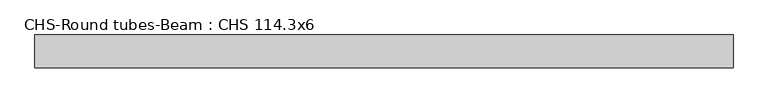
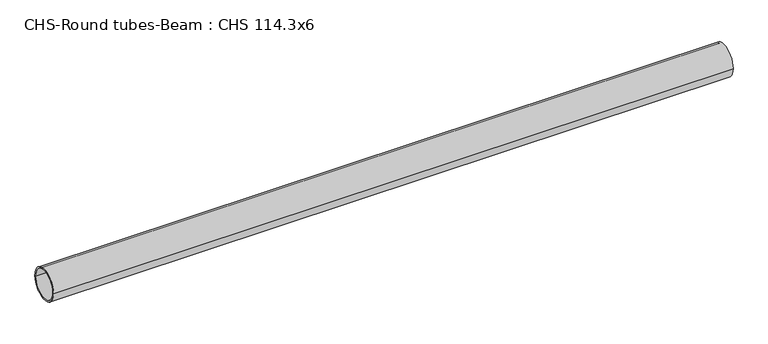
"""IFC4 building model written with IfcOpenShell, lengths in millimetres: beam geometry, CHS-Round tubes-Beam : CHS 114.3x6."""

import ifcopenshell
import ifcopenshell.guid

model = None  # the IFC model being written
_history = None  # IfcOwnerHistory: only IFC2X3 demands one
_inside = {}  # id of a spatial element -> (the spatial element, [elements in it])
_under = {}  # id of a project, library or spatial element -> (it, [spatial elements below it])
_declared = {}  # id of a project -> (the project, [libraries it declares])
_typed = {}  # id of a type object -> (the type object, [elements of that type])
_made_of = {}  # id of a material, layer set ... -> (it, [elements and type objects made of it])


def new_model(schema):
    """Start an empty IFC model of exactly this schema.

    Asked for "IFC4X3", IfcOpenShell would pick the latest addendum, in which some entities
    have other attributes; the version numbers below select the first issue.
    IFC2X3 requires an IfcOwnerHistory on every rooted entity: one is made here for all.
    """
    global model, _history
    if schema == "IFC4X3":
        model = ifcopenshell.file(schema_version=(4, 3, 0, 0))
    else:
        model = ifcopenshell.file(schema=schema)
    _inside.clear()
    _under.clear()
    _declared.clear()
    _typed.clear()
    _made_of.clear()
    _history = None
    if model.schema == "IFC2X3":
        org = make("IfcOrganization", Name="unknown")
        user = make(
            "IfcPersonAndOrganization",
            ThePerson=make("IfcPerson", FamilyName="unknown"),
            TheOrganization=org,
        )
        app = make(
            "IfcApplication",
            ApplicationDeveloper=org,
            Version="unknown",
            ApplicationFullName="unknown",
            ApplicationIdentifier="unknown",
        )
        _history = make(
            "IfcOwnerHistory",
            OwningUser=user,
            OwningApplication=app,
            ChangeAction="ADDED",
            CreationDate=0,
        )
    return model


def make(cls, **values):
    """One entity of the class cls with the attributes given. An attribute that is None is left unset."""
    return model.create_entity(
        cls, **{name: value for name, value in values.items() if value is not None}
    )


def rooted(cls, **values):
    """An entity with a GlobalId (a new one), such as an element, a storey or a relation."""
    return make(cls, GlobalId=ifcopenshell.guid.new(), OwnerHistory=_history, **values)


def si_unit(unit_type, name, prefix=None):
    """IfcSIUnit, for example si_unit("LENGTHUNIT", "METRE", prefix="MILLI")."""
    return make("IfcSIUnit", UnitType=unit_type, Prefix=prefix, Name=name)


def assignment(units):
    """IfcUnitAssignment: the units of a project."""
    return None if units is None else make("IfcUnitAssignment", Units=units)


def point(xyz):
    """IfcCartesianPoint."""
    return None if xyz is None else make("IfcCartesianPoint", Coordinates=xyz)


def direction(xyz):
    """IfcDirection."""
    return None if xyz is None else make("IfcDirection", DirectionRatios=xyz)


def frame(location, z_axis=None, x_axis=None):
    """IfcAxis2Placement3D, a coordinate frame: its origin and axes. An axis left out is left unset."""
    return make(
        "IfcAxis2Placement3D",
        Location=point(location),
        Axis=direction(z_axis),
        RefDirection=direction(x_axis),
    )


def frame_2d(location, x_axis=None):
    """IfcAxis2Placement2D, a coordinate frame in the plane: its origin and x axis."""
    return make(
        "IfcAxis2Placement2D", Location=point(location), RefDirection=direction(x_axis)
    )


def origin():
    """The frame at (0, 0, 0) with its axes left unset."""
    return frame((0.0, 0.0, 0.0))


def origin_2d():
    """The frame at (0, 0) in the plane with its x axis left unset."""
    return frame_2d((0.0, 0.0))


def place(relative_to, where):
    """IfcLocalPlacement: puts the frame where relative to a parent placement (None: the world)."""
    return make(
        "IfcLocalPlacement", PlacementRelTo=relative_to, RelativePlacement=where
    )


def context(
    kind, dimensions, precision=None, world=None, true_north=None, identifier=None
):
    """IfcGeometricRepresentationContext, for example the 3D "Model" context."""
    return make(
        "IfcGeometricRepresentationContext",
        ContextIdentifier=identifier,
        ContextType=kind,
        CoordinateSpaceDimension=dimensions,
        Precision=precision,
        WorldCoordinateSystem=world,
        TrueNorth=true_north,
    )


def project(units=None, contexts=None):
    """IfcProject with its units and contexts."""
    return rooted(
        "IfcProject",
        Name="project",
        RepresentationContexts=contexts,
        UnitsInContext=assignment(units),
    )


def spatial(cls, under=None, at=None, **own):
    """A site, building, storey or space (cls), placed at a placement, below another one or the project."""
    s = rooted(cls, ObjectPlacement=at, **own)
    if under is not None:
        _under.setdefault(under.id(), (under, []))[1].append(s)
    return s


def circle_curve(where, radius):
    """IfcCircle in the frame where."""
    return make("IfcCircle", Position=where, Radius=radius)


def trimmed(basis, trim1, trim2, sense, master):
    """IfcTrimmedCurve: the piece of a basis curve between two trims."""
    return make(
        "IfcTrimmedCurve",
        BasisCurve=basis,
        Trim1=trim1,
        Trim2=trim2,
        SenseAgreement=sense,
        MasterRepresentation=master,
    )


def segment(curve, same_sense, transition):
    """IfcCompositeCurveSegment."""
    return make(
        "IfcCompositeCurveSegment",
        Transition=transition,
        SameSense=same_sense,
        ParentCurve=curve,
    )


def composite_curve(segments, self_intersect=None):
    """IfcCompositeCurve: segments joined end to end."""
    return make("IfcCompositeCurve", Segments=segments, SelfIntersect=self_intersect)


def outline(outer, holes=None, kind="AREA"):
    """IfcArbitraryClosedProfileDef: a profile drawn as a closed curve; with holes, ...WithVoids."""
    if holes is None:
        return make("IfcArbitraryClosedProfileDef", ProfileType=kind, OuterCurve=outer)
    return make(
        "IfcArbitraryProfileDefWithVoids",
        ProfileType=kind,
        OuterCurve=outer,
        InnerCurves=holes,
    )


def extrude(swept, where, along, depth):
    """IfcExtrudedAreaSolid: the profile swept, set in the frame where, extruded along a direction by depth."""
    return make(
        "IfcExtrudedAreaSolid",
        SweptArea=swept,
        Position=where,
        ExtrudedDirection=direction(along),
        Depth=depth,
    )


def shape(context_of_items, identifier, shape_type, items):
    """IfcShapeRepresentation: the items that make up one representation, for example the "Body"."""
    return make(
        "IfcShapeRepresentation",
        ContextOfItems=context_of_items,
        RepresentationIdentifier=identifier,
        RepresentationType=shape_type,
        Items=items,
    )


def source(mapping_origin, context_of_items, identifier, shape_type, items):
    """IfcRepresentationMap: a shape defined once, which mapped items show again and again."""
    return make(
        "IfcRepresentationMap",
        MappingOrigin=mapping_origin,
        MappedRepresentation=shape(context_of_items, identifier, shape_type, items),
    )


def transform(
    local_origin,
    x_axis=None,
    y_axis=None,
    z_axis=None,
    scale=None,
    scale2=None,
    scale3=None,
    uniform=True,
):
    """IfcCartesianTransformationOperator3D, or its non-uniform kind. x_axis, y_axis, z_axis: its Axis1, 2, 3."""
    if uniform:
        return make(
            "IfcCartesianTransformationOperator3D",
            Axis1=direction(x_axis),
            Axis2=direction(y_axis),
            LocalOrigin=point(local_origin),
            Scale=scale,
            Axis3=direction(z_axis),
        )
    return make(
        "IfcCartesianTransformationOperator3DnonUniform",
        Axis1=direction(x_axis),
        Axis2=direction(y_axis),
        LocalOrigin=point(local_origin),
        Scale=scale,
        Axis3=direction(z_axis),
        Scale2=scale2,
        Scale3=scale3,
    )


def mapped(mapping_source, mapping_target):
    """IfcMappedItem: shows the shape of a source again, moved by a transform."""
    return make(
        "IfcMappedItem", MappingSource=mapping_source, MappingTarget=mapping_target
    )


def made_of(thing, what):
    """Note that an element or type object is made of a material, layer set ...; save() writes the relation."""
    if what is not None:
        _made_of.setdefault(what.id(), (what, []))[1].append(thing)
    return thing


def element(
    cls,
    number,
    at=None,
    inside=None,
    cuts=None,
    type_object=None,
    material=None,
    context=None,
    identifier="Body",
    shape_type=None,
    held_by="IfcProductDefinitionShape",
    body=None,
    shapes=None,
    **own,
):
    """One element of the class cls, such as IfcWall. Its Tag is "e" and its number.

    at: its placement. inside: the storey or other place that contains it. cuts: it is an
    opening in that element (IfcRelVoidsElement). A single representation is given by context,
    identifier, shape_type and body (its items); several are given by shapes. held_by: the class
    of the entity that holds the representations. save() writes the other relations.
    """
    e = rooted(cls, Tag="e%d" % number, ObjectPlacement=at, **own)
    if body is not None:
        shapes = [shape(context, identifier, shape_type, body)]
    if shapes is not None:
        e.Representation = make(held_by, Representations=shapes)
    if inside is not None:
        _inside.setdefault(inside.id(), (inside, []))[1].append(e)
    if cuts is not None:
        rooted(
            "IfcRelVoidsElement", RelatingBuildingElement=cuts, RelatedOpeningElement=e
        )
    if type_object is not None:
        _typed.setdefault(type_object.id(), (type_object, []))[1].append(e)
    return made_of(e, material)


def aggregate(whole, parts):
    """IfcRelAggregates: a whole, such as a stair, and the parts it consists of."""
    return rooted("IfcRelAggregates", RelatingObject=whole, RelatedObjects=parts)


def save(model, path):
    """Write the relations noted so far, then the file.

    IfcRelAggregates (storeys below a building ...), IfcRelContainedInSpatialStructure (elements
    in a storey), IfcRelDefinesByType, IfcRelAssociatesMaterial and IfcRelDeclares: one each for
    every whole, place, type object, material and project.
    """
    for whole, parts in _under.values():
        aggregate(whole, parts)
    for where, things in _inside.values():
        rooted(
            "IfcRelContainedInSpatialStructure",
            RelatedElements=things,
            RelatingStructure=where,
        )
    for kind, things in _typed.values():
        rooted("IfcRelDefinesByType", RelatedObjects=things, RelatingType=kind)
    for what, things in _made_of.values():
        rooted("IfcRelAssociatesMaterial", RelatedObjects=things, RelatingMaterial=what)
    for by, libraries in _declared.values():
        rooted("IfcRelDeclares", RelatingContext=by, RelatedDefinitions=libraries)
    model.write(path)


def chs_round_tubes_beam_chs_114_3x6_4ef7c220(model_context):
    return source(origin(), model_context, "Body", "SweptSolid", [
        extrude(outline(composite_curve([segment(trimmed(circle_curve(origin_2d(), 57.15), [point((57.15, 0.0))], [point((-57.15, 0.0))], False, "CARTESIAN"), True, "CONTINUOUS"), segment(trimmed(circle_curve(origin_2d(), 57.15), [point((-57.15, 0.0))], [point((57.15, 0.0))], False, "CARTESIAN"), True, "CONTINUOUS")], self_intersect=False), holes=[composite_curve([segment(trimmed(circle_curve(origin_2d(), 51.15), [point((51.15, 0.0))], [point((-51.15, 0.0))], True, "CARTESIAN"), True, "CONTINUOUS"), segment(trimmed(circle_curve(origin_2d(), 51.15), [point((-51.15, 0.0))], [point((51.15, 0.0))], True, "CARTESIAN"), True, "CONTINUOUS")], self_intersect=False)]), frame((-1205.6397352, 0.0, 0.0), z_axis=(1.0, 0.0, 0.0), x_axis=(0.0, 1.0, 0.0)), (0.0, 0.0, 1.0), 2417.0630991),
    ])


if __name__ == "__main__":
    model = new_model("IFC4")
    model_context = context("Model", 3, world=origin())
    ifc_project = project(units=[si_unit("LENGTHUNIT", "METRE", prefix="MILLI")], contexts=[model_context])
    site = spatial("IfcSite", under=ifc_project)
    building = spatial("IfcBuilding", under=site)
    placement = place(None, origin())
    chs_round_tubes_beam_chs_114_3x6_shape = chs_round_tubes_beam_chs_114_3x6_4ef7c220(model_context)
    element("IfcBeam", 1, ObjectType="CHS-Round tubes-Beam : CHS 114.3x6", at=placement, inside=building, context=model_context, shape_type="MappedRepresentation", body=[
        mapped(chs_round_tubes_beam_chs_114_3x6_shape, transform((0.0, 0.0, 0.0), x_axis=(1.0, 0.0, 0.0), y_axis=(0.0, 1.0, 0.0), z_axis=(0.0, 0.0, 1.0))),
    ])
    save(model, "model.ifc")
